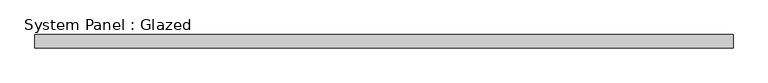
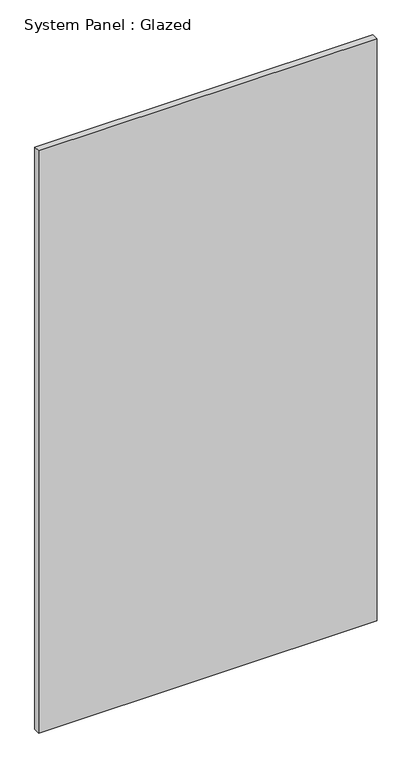
"""IFC4 building model written with IfcOpenShell, lengths in millimetres: plate geometry, System Panel : Glazed."""

from ifc_helpers import new_model, si_unit, origin, origin_with_axes, place, context, project, spatial, polyline, outline, extrude, source, transform, mapped, element, save


def system_panel_glazed_be635cd4(model_context):
    return source(origin(), model_context, "Body", "SweptSolid", [
        extrude(outline(polyline([(661.5833333, -44.45), (-661.5833333, -44.45), (-661.5833333, -19.05), (661.5833333, -19.05), (661.5833333, -44.45)])), origin_with_axes(), (0.0, 0.0, 1.0), 2406.65),
    ])


if __name__ == "__main__":
    model = new_model("IFC4")
    model_context = context("Model", 3, world=origin())
    ifc_project = project(units=[si_unit("LENGTHUNIT", "METRE", prefix="MILLI")], contexts=[model_context])
    site = spatial("IfcSite", under=ifc_project)
    building = spatial("IfcBuilding", under=site)
    placement = place(None, origin())
    system_panel_glazed_shape = system_panel_glazed_be635cd4(model_context)
    element("IfcPlate", 1, ObjectType="System Panel : Glazed", at=placement, inside=building, context=model_context, shape_type="MappedRepresentation", body=[
        mapped(system_panel_glazed_shape, transform((0.0, 0.0, 0.0), x_axis=(1.0, 0.0, 0.0), y_axis=(0.0, 1.0, 0.0), z_axis=(0.0, 0.0, 1.0))),
    ])
    save(model, "model.ifc")
